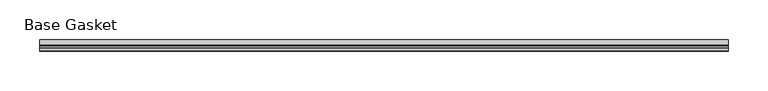
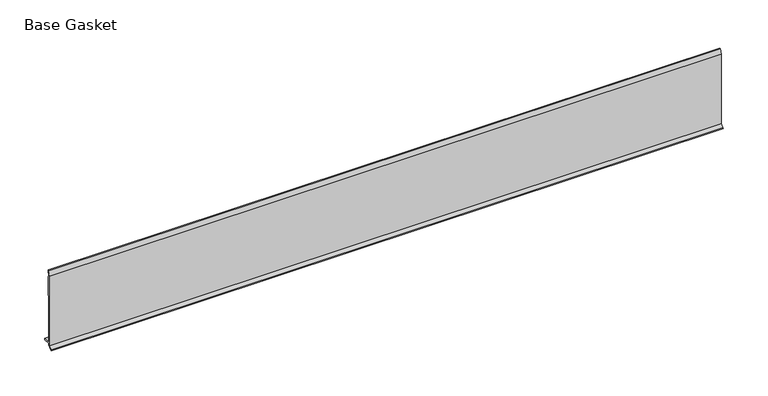
"""IFC4 building model written with IfcOpenShell, lengths in millimetres: furniture geometry, Base Gasket."""

from ifc_helpers import new_model, si_unit, frame, origin, place, context, project, spatial, polyline, outline, extrude, source, transform, mapped, element, save


def base_gasket_c052306d(model_context):
    return source(origin(), model_context, "Body", "SweptSolid", [
        extrude(outline(polyline([(-3.7283812, 98.4568417), (-1.1891543, 104.587663), (-0.6755308, 105.2002997), (-0.6755308, 104.4162708), (-2.2043812, 98.4568417), (-2.2043812, 96.8693477), (-1.4106313, 96.8693477), (-1.4106313, 71.4693447), (-2.2043812, 71.4693447), (-2.2043812, 7.9398773), (6.2405171, 7.9398773), (6.2405171, 6.3818476), (-2.1334222, 6.3818476), (-2.2043812, 4.3498477), (-6.8281054, 0.3520979), (-7.8482342, 0.0), (-7.4222115, 0.6560174), (-3.7283812, 4.3498477), (-3.7283812, 98.4568417)])), frame((-1527.8982117, 0.0, 0.0), z_axis=(1.0, 0.0, 0.0), x_axis=(0.0, 1.0, 0.0)), (0.0, 0.0, 1.0), 863.6),
    ])


if __name__ == "__main__":
    model = new_model("IFC4")
    model_context = context("Model", 3, world=origin())
    ifc_project = project(units=[si_unit("LENGTHUNIT", "METRE", prefix="MILLI")], contexts=[model_context])
    site = spatial("IfcSite", under=ifc_project)
    building = spatial("IfcBuilding", under=site)
    placement = place(None, origin())
    base_gasket_shape = base_gasket_c052306d(model_context)
    element("IfcFurniture", 1, ObjectType="Base Gasket", at=placement, inside=building, context=model_context, shape_type="MappedRepresentation", body=[
        mapped(base_gasket_shape, transform((0.0, 0.0, 0.0), x_axis=(1.0, 0.0, 0.0), y_axis=(0.0, 1.0, 0.0), z_axis=(0.0, 0.0, 1.0))),
    ])
    save(model, "model.ifc")
